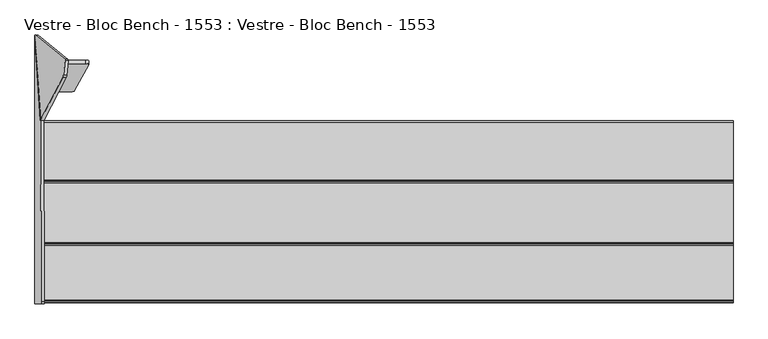
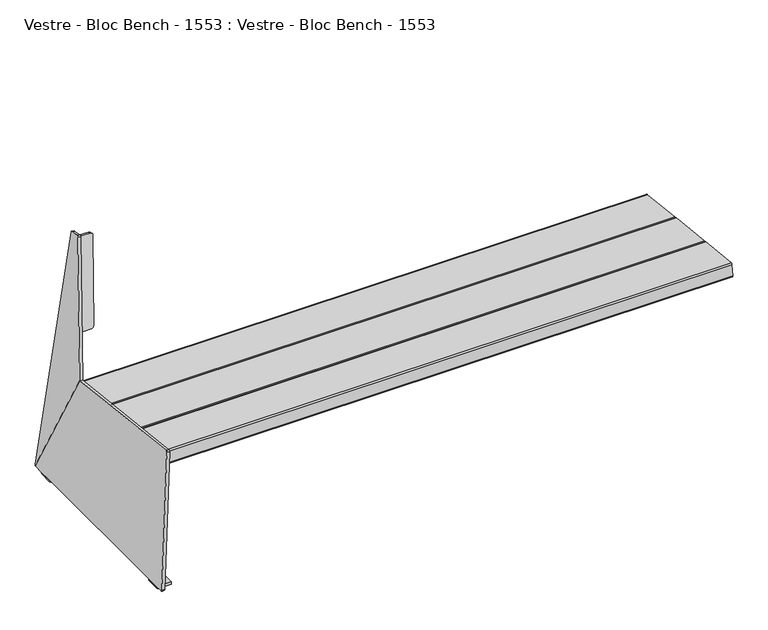
"""IFC4 building model written with IfcOpenShell, lengths in millimetres: furniture geometry, Vestre - Bloc Bench - 1553 : Vestre - Bloc Bench - 1553."""

from ifc_helpers import new_model, si_unit, point, frame, frame_2d, origin, place, context, project, spatial, polyline, circle_curve, trimmed, segment, composite_curve, outline, extrude, source, transform, mapped, element, save
from ifc_brep_helpers import plane_surface, cylinder_surface, revolved_surface, advanced_brep


def vestre_bloc_bench_1553_vestre_bloc_bench_1553_6cf4e329(model_context):
    return source(origin(), model_context, "Body", "SolidModel", [
        advanced_brep(
        [(-811.3096872, 233.1863633, 787.1699382), (-810.3276205, 238.1221055, 789.8133119), (-806.4856825, 274.3357333, 778.4787482), (-806.476674, 277.1577, 774.9426086), (-881.1339288, 337.9713039, 14.8944279), (-881.7986014, 336.1005897, 11.2206695), (-867.9108416, 124.8996282, 408.9101314), (-803.4334696, 232.080936, 786.3078325), (-860.0346239, 123.794201, 408.0480257), (-873.9223837, 334.9951625, 10.3585639), (-873.2577111, 336.8658767, 14.0323223), (-798.6004563, 276.0522727, 774.080503), (-798.6094648, 273.230306, 777.6166426), (-802.4514029, 237.0166783, 788.9512062), (-800.4996194, 275.0977695, 757.9536062), (-838.1688084, 205.1850931, 503.4518959), (-839.1302779, 196.4631475, 505.8515241), (-801.461089, 266.3758239, 760.3532344), (-755.3146024, 275.0158862, 757.8881152), (-747.4133782, 272.5788357, 749.0639533), (-783.5721679, 206.9046912, 509.9877088), (-791.5034385, 205.1005271, 503.3842593), (-791.5157714, 196.3768615, 505.7825119), (-783.5845007, 198.1810256, 512.3859614), (-747.4257111, 263.8551701, 751.4622058), (-755.3269352, 266.2922205, 760.2863677)],
        [
            (0, 1, circle_curve(frame((-810.9011589, 236.9951872, 786.0184326), z_axis=(-0.9845272064646956, 0.1381784067166262, 0.10776320173453151), x_axis=(-0.10809843818608315, 0.005098251508800459, -0.9941271224009949)), 4.0)),
            (1, 2),
            (2, 3, circle_curve(frame((-807.0592208, 273.2088149, 774.683869), z_axis=(-0.9845272064646956, 0.1381784067166262, 0.10776320173453151), x_axis=(-0.10809843818608315, 0.005098251508800459, -0.9941271224009949)), 4.0)),
            (3, 4),
            (4, 5, circle_curve(frame((-881.7160714, 334.025159, 14.6358678), z_axis=(-0.9845272064646956, 0.1381784067166262, 0.10776320173453151), x_axis=(-0.10809843818608315, 0.005098251508800459, -0.9941271224009949)), 3.9972244)),
            (5, 6),
            (6, 0),
            (7, 8),
            (8, 9),
            (9, 10, circle_curve(frame((-873.8398538, 332.9197317, 13.7737622), z_axis=(0.9845272064646956, -0.1381784067166262, -0.10776320173453151), x_axis=(-0.10809843818608315, 0.005098251508800459, -0.9941271224009949)), 3.9972244)),
            (10, 11),
            (11, 12, circle_curve(frame((-799.1830032, 272.1033877, 773.8217633), z_axis=(0.9845272064646956, -0.1381784067166262, -0.10776320173453151), x_axis=(-0.10809843818608315, 0.005098251508800459, -0.9941271224009949)), 4.0)),
            (12, 13),
            (13, 7, circle_curve(frame((-803.0249412, 235.8897599, 785.156327), z_axis=(0.9845272064646956, -0.1381784067166262, -0.10776320173453151), x_axis=(-0.10809843818608315, 0.005098251508800459, -0.9941271224009949)), 4.0)),
            (14, 15),
            (15, 16),
            (16, 17),
            (17, 14),
            (0, 7),
            (13, 1),
            (12, 2),
            (11, 3),
            (10, 4),
            (9, 5),
            (8, 6),
            (18, 19, circle_curve(frame((-755.3296256, 272.8952788, 750.1743095), z_axis=(0.0013631459484884367, 0.9642258427672697, -0.26507860338562145), x_axis=(0.14431455675225052, 0.2621142782788856, 0.9541852093968657)), 8.0)),
            (19, 20),
            (20, 21, circle_curve(frame((-791.4884153, 207.2211344, 511.098065), z_axis=(0.0013631459484884367, 0.9642258427672697, -0.26507860338562145), x_axis=(0.14431455675225052, 0.2621142782788856, 0.9541852093968657)), 8.0)),
            (21, 15),
            (14, 18),
            (22, 23, circle_curve(frame((-791.5007481, 198.4974688, 513.4963176), z_axis=(-0.0013631459484884367, -0.9642258427672697, 0.26507860338562145), x_axis=(0.14431455675225052, 0.2621142782788856, 0.9541852093968657)), 8.0)),
            (23, 24),
            (24, 25, circle_curve(frame((-755.3419585, 264.1716132, 752.572562), z_axis=(-0.0013631459484884367, -0.9642258427672697, 0.26507860338562145), x_axis=(0.14431455675225052, 0.2621142782788856, 0.9541852093968657)), 8.0)),
            (25, 17),
            (16, 22),
            (18, 25),
            (24, 19),
            (23, 20),
            (22, 21),
        ],
        [
            plane_surface(frame((-811.3335526, 237.0155802, 782.0419241), z_axis=(-0.9845272064646957, 0.13817840671662623, 0.10776320173453155), x_axis=(-0.13791630575299016, -0.9903942324896727, 0.009917502641294944))),
            plane_surface(frame((-803.457335, 235.9101529, 781.1798185), z_axis=(0.9845272064646957, -0.13817840671662623, -0.10776320173453155), x_axis=(0.13791630575299016, 0.9903942324896727, -0.009917502641294944))),
            cylinder_surface(frame((-803.0249412, 235.8897599, 785.156327), z_axis=(-0.9845272064646956, 0.1381784067166262, 0.10776320173453151), x_axis=(-0.10809843818608315, 0.005098251508800459, -0.9941271224009949)), 4.0),
            plane_surface(frame((-810.3276205, 238.1221055, 789.8133119), z_axis=(0.1433845912445866, 0.28172958840366474, 0.9487198206064447), x_axis=(0.9845272064646949, -0.13817840671662657, -0.10776320173453655))),
            cylinder_surface(frame((-799.1830032, 272.1033877, 773.8217633), z_axis=(-0.9845272064646956, 0.1381784067166262, 0.10776320173453151), x_axis=(-0.10809843818608315, 0.005098251508800459, -0.9941271224009949)), 4.0),
            plane_surface(frame((-806.476674, 277.1577, 774.9426086), z_axis=(0.14563671969423853, 0.9872212562883773, 0.06468490557386689), x_axis=(0.9845272064646949, -0.13817840671662657, -0.10776320173453655))),
            cylinder_surface(frame((-873.8398538, 332.9197317, 13.7737622), z_axis=(-0.9845272064646956, 0.1381784067166262, 0.10776320173453151), x_axis=(-0.10809843818608315, 0.005098251508800459, -0.9941271224009949)), 3.9972244),
            plane_surface(frame((-881.7986014, 336.1005897, 11.2206695), z_axis=(-0.1724989104392053, -0.8724250405319145, -0.45729495355861344), x_axis=(0.9845272064646944, -0.13817840671663073, -0.10776320173453648))),
            plane_surface(frame((-867.9108416, 124.8996282, 408.9101314), z_axis=(-0.1021320908307664, -0.9522059736125503, 0.28787639680792054), x_axis=(0.9845272064646949, -0.13817840671662657, -0.10776320173453655))),
            plane_surface(frame((-754.1751092, 274.9921931, 757.8077911), z_axis=(0.0013631459484884229, 0.9642258427672699, -0.2650786033856216), x_axis=(0.9895309245003537, -0.03955539485439853, -0.13879452509154702))),
            plane_surface(frame((-754.187442, 266.2685275, 760.2060437), z_axis=(-0.0013631459484884229, -0.9642258427672699, 0.2650786033856216), x_axis=(-0.9895309245003537, 0.03955539485439853, 0.13879452509154702))),
            cylinder_surface(frame((-755.3419585, 264.1716132, 752.572562), z_axis=(0.0013631459484884367, 0.9642258427672697, -0.26507860338562145), x_axis=(0.14431455675225052, 0.2621142782788856, 0.9541852093968657)), 8.0),
            plane_surface(frame((-747.4133782, 272.5788357, 749.0639533), z_axis=(0.9895309245003534, -0.0395553948543983, -0.13879452509154827), x_axis=(-0.001363145948487987, -0.9642258427672699, 0.2650786033856207))),
            cylinder_surface(frame((-791.5007481, 198.4974688, 513.4963176), z_axis=(0.0013631459484884367, 0.9642258427672697, -0.26507860338562145), x_axis=(0.14431455675225052, 0.2621142782788856, 0.9541852093968657)), 8.0),
            plane_surface(frame((-791.5034385, 205.1005271, 503.3842593), z_axis=(-0.0018779099002744323, -0.2650759139656631, -0.9642257169821155), x_axis=(-0.001363145948487987, -0.9642258427672699, 0.2650786033856207))),
            plane_surface(frame((-803.4248413, 275.1030705, 757.957846), z_axis=(0.0018779099002689827, 0.2650759139656631, 0.9642257169821156), x_axis=(-0.001363145948487987, -0.9642258427672699, 0.2650786033856207))),
        ],
        [
            (0, [[1, 2, 3, 4, 5, 6, 7]]),
            (1, [[8, 9, 10, 11, 12, 13, 14], [15, 16, 17, 18]]),
            (2, [[-1, 19, -14, 20]]),
            (3, [[-2, -20, -13, 21]]),
            (4, [[-3, -21, -12, 22]]),
            (5, [[-4, -22, -11, 23]]),
            (6, [[-5, -23, -10, 24]]),
            (7, [[-6, -24, -9, 25]]),
            (8, [[-7, -25, -8, -19]]),
            (9, [[26, 27, 28, 29, -15, 30]]),
            (10, [[31, 32, 33, 34, -17, 35]]),
            (11, [[-26, 36, -33, 37]]),
            (12, [[-27, -37, -32, 38]]),
            (13, [[-28, -38, -31, 39]]),
            (14, [[-39, -35, -16, -29]]),
            (15, [[-36, -30, -18, -34]]),
        ],
    ),
        advanced_brep(
        [(-867.8018633, 124.9540587, 408.8991383), (-881.6844457, 336.0793859, 11.3539925), (-881.7221912, 333.3438949, 10.2731042), (-881.7221912, 303.3438949, 10.2731042), (-881.7221912, 263.3438949, 10.2731042), (-881.7221912, -263.3438949, 10.2731042), (-881.7221912, -303.3438949, 10.2731042), (-881.7221912, -329.3438949, 10.2731042), (-881.5825932, -333.3438949, 14.2706676), (-866.2114206, -333.3438949, 454.4434578), (-866.0726472, -328.9097929, 458.4174101), (-859.8067367, 124.9540587, 408.6199423), (-858.0775206, -328.9097929, 458.1382142), (-858.216294, -333.3438949, 454.1642618), (-873.5874666, -333.3438949, 13.9914716), (-873.7270646, -329.3438949, 9.9939083), (-873.7270646, -303.3438949, 9.9939083), (-873.7592787, -303.3438949, 9.0714168), (-873.7592787, -263.3438949, 9.0714168), (-873.7270646, -263.3438949, 9.9939083), (-873.7270646, 263.3438949, 9.9939083), (-873.7592787, 263.3438949, 9.0714168), (-873.7592787, 303.3438949, 9.0714168), (-873.7270646, 303.3438949, 9.9939083), (-873.7270646, 333.3438949, 9.9939083), (-873.6893191, 336.0793859, 11.0747965), (-872.7246235, -303.3438949, 8.0), (-881.7221912, -303.3438949, 8.2703475), (-873.7845921, -303.3438949, 0.0), (-836.0809359, -303.3438949, 0.0), (-836.0809359, -303.3438949, 8.0), (-872.7246235, -263.3438949, 8.0), (-836.0809359, -263.3438949, 8.0), (-836.0809359, -263.3438949, 0.0), (-873.7845921, -263.3438949, 0.0), (-881.7221912, -263.3438949, 8.2703475), (-872.7246235, 303.3438949, 8.0), (-836.0809359, 303.3438949, 8.0), (-836.0809359, 303.3438949, 0.0), (-873.7845921, 303.3438949, 0.0), (-881.7221912, 303.3438949, 8.2703475), (-872.7246235, 263.3438949, 8.0), (-881.7221912, 263.3438949, 8.2703475), (-873.7845921, 263.3438949, 0.0), (-836.0809359, 263.3438949, 0.0), (-836.0809359, 263.3438949, 8.0)],
        [
            (0, 1),
            (1, 2, circle_curve(frame((-881.5825887, 333.3438949, 14.2707962), z_axis=(-0.9993908270190959, 0.0, 0.0348994967025008), x_axis=(-0.0348994967025008, 0.0, -0.9993908270190959)), 4.0001287)),
            (2, 3),
            (3, 4),
            (4, 5),
            (5, 6),
            (6, 7),
            (7, 8, circle_curve(frame((-881.5825932, -329.3438949, 14.2706676), z_axis=(-0.9993908270190959, 0.0, 0.0348994967025008), x_axis=(-0.0348994967025008, 0.0, -0.9993908270190959)), 4.0)),
            (8, 9),
            (9, 10, circle_curve(frame((-866.2114206, -329.3438949, 454.4434578), z_axis=(-0.9993908270190959, 0.0, 0.0348994967025008), x_axis=(-0.0348994967025008, 0.0, -0.9993908270190959)), 4.0)),
            (10, 0),
            (11, 12),
            (12, 13, circle_curve(frame((-858.216294, -329.3438949, 454.1642618), z_axis=(0.9993908270190959, 0.0, -0.0348994967025008), x_axis=(-0.0348994967025008, 0.0, -0.9993908270190959)), 4.0)),
            (13, 14),
            (14, 15, circle_curve(frame((-873.5874666, -329.3438949, 13.9914716), z_axis=(0.9993908270190959, 0.0, -0.0348994967025008), x_axis=(-0.0348994967025008, 0.0, -0.9993908270190959)), 4.0)),
            (15, 16),
            (16, 17),
            (17, 18),
            (18, 19),
            (19, 20),
            (20, 21),
            (21, 22),
            (22, 23),
            (23, 24),
            (24, 25, circle_curve(frame((-873.5874621, 333.3438949, 13.9916002), z_axis=(0.9993908270190959, 0.0, -0.0348994967025008), x_axis=(-0.0348994967025008, 0.0, -0.9993908270190959)), 4.0001287)),
            (25, 11),
            (0, 11),
            (25, 1),
            (24, 2),
            (23, 3),
            (15, 7),
            (6, 16),
            (19, 5),
            (4, 20),
            (14, 8),
            (13, 9),
            (12, 10),
            (26, 17, circle_curve(frame((-872.7246235, -303.3438949, 9.0352858), z_axis=(0.0, 1.0, 0.0), x_axis=(1.0, 0.0, 0.0)), 1.0352858)),
            (6, 27),
            (27, 28, circle_curve(frame((-873.4448692, -303.3438949, 8.2703475), z_axis=(0.0, -1.0, 0.0), x_axis=(1.0, 0.0, 0.0)), 8.277322)),
            (28, 29),
            (29, 30),
            (30, 26),
            (31, 32),
            (32, 33),
            (33, 34),
            (34, 35, circle_curve(frame((-873.4448692, -263.3438949, 8.2703475), z_axis=(0.0, 1.0, 0.0), x_axis=(1.0, 0.0, 0.0)), 8.277322)),
            (35, 5),
            (18, 31, circle_curve(frame((-872.7246235, -263.3438949, 9.0352858), z_axis=(0.0, -1.0, 0.0), x_axis=(1.0, 0.0, 0.0)), 1.0352858)),
            (26, 31),
            (28, 34),
            (33, 29),
            (32, 30),
            (35, 27),
            (36, 37),
            (37, 38),
            (38, 39),
            (39, 40, circle_curve(frame((-873.4448692, 303.3438949, 8.2703475), z_axis=(0.0, 1.0, 0.0), x_axis=(1.0, 0.0, 0.0)), 8.277322)),
            (40, 3),
            (22, 36, circle_curve(frame((-872.7246235, 303.3438949, 9.0352858), z_axis=(0.0, -1.0, 0.0), x_axis=(1.0, 0.0, 0.0)), 1.0352858)),
            (41, 21, circle_curve(frame((-872.7246235, 263.3438949, 9.0352858), z_axis=(0.0, 1.0, 0.0), x_axis=(1.0, 0.0, 0.0)), 1.0352858)),
            (4, 42),
            (42, 43, circle_curve(frame((-873.4448692, 263.3438949, 8.2703475), z_axis=(0.0, -1.0, 0.0), x_axis=(1.0, 0.0, 0.0)), 8.277322)),
            (43, 44),
            (44, 45),
            (45, 41),
            (41, 36),
            (38, 44),
            (43, 39),
            (37, 45),
            (40, 42),
        ],
        [
            plane_surface(frame((-867.7611698, 124.3351949, 410.0644476), z_axis=(-0.9993908270190959, 0.0, 0.0348994967025008), x_axis=(-0.030826689731681154, 0.46881010804538603, -0.8827608950302795))),
            plane_surface(frame((-859.7660432, 124.3351949, 409.7852516), z_axis=(0.9993908270190959, 0.0, -0.0348994967025008), x_axis=(0.030826689731681154, -0.46881010804538603, 0.8827608950302795))),
            plane_surface(frame((-867.8018633, 124.9540587, 408.8991383), z_axis=(0.01636123681982749, 0.8832989769010681, 0.4685245215943901), x_axis=(0.9993908270190959, 0.0, -0.03489949670249758))),
            cylinder_surface(frame((-873.5874621, 333.3438949, 13.9916002), z_axis=(-0.9993908270190959, 0.0, 0.0348994967025008), x_axis=(-0.0348994967025008, 0.0, -0.9993908270190959)), 4.0001287),
            plane_surface(frame((-881.7221912, 333.3438949, 10.2731042), z_axis=(-0.03489949670249758, 0.0, -0.9993908270190959), x_axis=(0.9993908270190959, 0.0, -0.03489949670249758))),
            cylinder_surface(frame((-873.5874666, -329.3438949, 13.9914716), z_axis=(-0.9993908270190959, 0.0, 0.0348994967025008), x_axis=(-0.0348994967025008, 0.0, -0.9993908270190959)), 4.0),
            plane_surface(frame((-881.5825932, -333.3438949, 14.2706676), z_axis=(0.0, -1.0, 0.0), x_axis=(0.9993908270190959, 0.0, -0.03489949670249758))),
            cylinder_surface(frame((-858.216294, -329.3438949, 454.1642618), z_axis=(-0.9993908270190959, 0.0, 0.0348994967025008), x_axis=(-0.0348994967025008, 0.0, -0.9993908270190959)), 4.0),
            plane_surface(frame((-866.0726472, -328.9097929, 458.4174101), z_axis=(0.03469336856703176, 0.1085255092275189, 0.9934880895231608), x_axis=(0.9993908270190959, 0.0, -0.03489949670249758))),
            plane_surface(frame((-871.6893377, -303.3438949, 9.0352858), z_axis=(0.0, -1.0, 0.0), x_axis=(0.0, 0.0, -1.0))),
            plane_surface(frame((-871.6893377, -263.3438949, 9.0352858), z_axis=(0.0, 1.0, 0.0), x_axis=(0.0, 0.0, 1.0))),
            revolved_surface(polyline([(-871.6893377, -263.3438949, 9.0352858), (-871.6893377, -303.3438949, 9.0352858)]), (-872.7246235, -263.3438949, 9.0352858), (0.0, 1.0, 0.0)),
            plane_surface(frame((-873.7845921, -303.3438949, 0.0), z_axis=(0.0, 0.0, -1.0), x_axis=(0.0, 1.0, 0.0))),
            plane_surface(frame((-836.0809359, -303.3438949, 0.0), z_axis=(1.0, 0.0, 0.0), x_axis=(0.0, 1.0, 0.0))),
            plane_surface(frame((-836.0809359, -303.3438949, 8.0), z_axis=(0.0, 0.0, 1.0), x_axis=(0.0, 1.0, 0.0))),
            plane_surface(frame((-881.7221912, -303.3438949, 10.2731042), z_axis=(-1.0, 0.0, 0.0), x_axis=(0.0, 1.0, 0.0))),
            cylinder_surface(frame((-873.4448692, -263.3438949, 8.2703475), z_axis=(0.0, -1.0, 0.0), x_axis=(1.0, 0.0, 0.0)), 8.277322),
            plane_surface(frame((-836.0809359, 303.3438949, 8.0), z_axis=(0.0, 1.0, 0.0), x_axis=(1.0, 0.0, 0.0))),
            plane_surface(frame((-836.0809359, 263.3438949, 8.0), z_axis=(0.0, -1.0, 0.0), x_axis=(-1.0, 0.0, 0.0))),
            revolved_surface(polyline([(-871.6893377, 263.3438949, 9.0352858), (-871.6893377, 303.3438949, 9.0352858)]), (-872.7246235, 263.3438949, 9.0352858), (0.0, -1.0, 0.0)),
            plane_surface(frame((-836.0809359, 303.3438949, 0.0), z_axis=(0.0, 0.0, -1.0), x_axis=(0.0, -1.0, 0.0))),
            plane_surface(frame((-836.0809359, 303.3438949, 8.0), z_axis=(1.0, 0.0, 0.0), x_axis=(0.0, -1.0, 0.0))),
            plane_surface(frame((-872.7246235, 303.3438949, 8.0), z_axis=(0.0, 0.0, 1.0), x_axis=(0.0, -1.0, 0.0))),
            plane_surface(frame((-881.7221912, 303.3438949, 8.2703475), z_axis=(-1.0, 0.0, 0.0), x_axis=(0.0, -1.0, 0.0))),
            cylinder_surface(frame((-873.4448692, 263.3438949, 8.2703475), z_axis=(0.0, 1.0, 0.0), x_axis=(1.0, 0.0, 0.0)), 8.277322),
        ],
        [
            (0, [[1, 2, 3, 4, 5, 6, 7, 8, 9, 10, 11]]),
            (1, [[12, 13, 14, 15, 16, 17, 18, 19, 20, 21, 22, 23, 24, 25, 26]]),
            (2, [[-1, 27, -26, 28]]),
            (3, [[-2, -28, -25, 29]]),
            (4, [[-29, -24, 30, -3]]),
            (4, [[31, -7, 32, -16]]),
            (4, [[33, -5, 34, -20]]),
            (5, [[-8, -31, -15, 35]]),
            (6, [[-9, -35, -14, 36]]),
            (7, [[-10, -36, -13, 37]]),
            (8, [[-11, -37, -12, -27]]),
            (9, [[38, -17, -32, 39, 40, 41, 42, 43]]),
            (10, [[44, 45, 46, 47, 48, -33, -19, 49]]),
            (11, [[-38, 50, -49, -18]]),
            (12, [[-41, 51, -46, 52]]),
            (13, [[-42, -52, -45, 53]]),
            (14, [[-43, -53, -44, -50]]),
            (15, [[-39, -6, -48, 54]]),
            (16, [[-40, -54, -47, -51]]),
            (17, [[55, 56, 57, 58, 59, -30, -23, 60]]),
            (18, [[61, -21, -34, 62, 63, 64, 65, 66]]),
            (19, [[-60, -22, -61, 67]]),
            (20, [[-57, 68, -64, 69]]),
            (21, [[-56, 70, -65, -68]]),
            (22, [[-55, -67, -66, -70]]),
            (23, [[-59, 71, -62, -4]]),
            (24, [[-58, -69, -63, -71]]),
        ],
    ),
        extrude(outline(composite_curve([segment(polyline([(123.8192494, 402.3213691), (120.1847471, 369.0041334)]), True, "CONTINUOUS"), segment(trimmed(circle_curve(frame_2d((116.2083371, 369.4379111)), 4.0), [point((120.1847471, 369.0041334))], [point((115.7745594, 365.461501))], False, "CARTESIAN"), True, "CONTINUOUS"), segment(polyline([(115.7745594, 365.461501), (-28.0458586, 381.1505467)]), True, "CONTINUOUS"), segment(trimmed(circle_curve(frame_2d((-27.612081, 385.1269568)), 4.0), [point((-28.0458586, 381.1505467))], [point((-31.5884911, 385.5607344))], False, "CARTESIAN"), True, "CONTINUOUS"), segment(polyline([(-31.5884911, 385.5607344), (-27.9537399, 418.8802516)]), True, "CONTINUOUS"), segment(trimmed(circle_curve(frame_2d((-23.9773298, 418.446474)), 4.0), [point((-27.9537399, 418.8802516))], [point((-23.5434891, 422.4228772))], False, "CARTESIAN"), True, "CONTINUOUS"), segment(polyline([(-23.5434891, 422.4228772), (120.27668, 406.7315499)]), True, "CONTINUOUS"), segment(trimmed(circle_curve(frame_2d((119.8428393, 402.7551467)), 4.0), [point((120.27668, 406.7315499))], [point((123.8192494, 402.3213691))], False, "CARTESIAN"), True, "CONTINUOUS")], self_intersect=False)), frame((-862.6102966, 0.0, 0.0), z_axis=(1.0, 0.0, 0.0), x_axis=(0.0, 1.0, 0.0)), (0.0, 0.0, 1.0), 1724.9737711),
        extrude(outline(composite_curve([segment(polyline([(-27.9537261, 418.8803778), (-31.5884836, 385.5608023)]), True, "CONTINUOUS"), segment(trimmed(circle_curve(frame_2d((-35.5648937, 385.9945799)), 4.0), [point((-31.5884836, 385.5608023))], [point((-35.9986713, 382.0181698))], False, "CARTESIAN"), True, "CONTINUOUS"), segment(polyline([(-35.9986713, 382.0181698), (-184.008414, 398.1642196)]), True, "CONTINUOUS"), segment(trimmed(circle_curve(frame_2d((-183.5746364, 402.1406296)), 4.0), [point((-184.008414, 398.1642196))], [point((-187.5510464, 402.5744072))], False, "CARTESIAN"), True, "CONTINUOUS"), segment(polyline([(-187.5510464, 402.5744072), (-183.9160328, 435.8963307)]), True, "CONTINUOUS"), segment(trimmed(circle_curve(frame_2d((-179.9396227, 435.4625531)), 4.0), [point((-183.9160328, 435.8963307))], [point((-179.505782, 439.4389563))], False, "CARTESIAN"), True, "CONTINUOUS"), segment(polyline([(-179.505782, 439.4389563), (-31.4962955, 423.2905586)]), True, "CONTINUOUS"), segment(trimmed(circle_curve(frame_2d((-31.9301362, 419.3141554)), 4.0), [point((-31.4962955, 423.2905586))], [point((-27.9537261, 418.8803778))], False, "CARTESIAN"), True, "CONTINUOUS")], self_intersect=False)), frame((-862.6102966, 0.0, 0.0), z_axis=(1.0, 0.0, 0.0), x_axis=(0.0, 1.0, 0.0)), (0.0, 0.0, 1.0), 1724.9737711),
        extrude(outline(composite_curve([segment(polyline([(-183.916019, 435.8964569), (-187.551035, 402.5745123)]), True, "CONTINUOUS"), segment(trimmed(circle_curve(frame_2d((-191.527445, 403.0082899)), 4.0), [point((-187.551035, 402.5745123))], [point((-191.9612227, 399.0318798))], False, "CARTESIAN"), True, "CONTINUOUS"), segment(polyline([(-191.9612227, 399.0318798), (-327.6055099, 413.8290098)]), True, "CONTINUOUS"), segment(trimmed(circle_curve(frame_2d((-327.1717323, 417.8054199)), 4.0), [point((-327.6055099, 413.8290098))], [point((-331.1481424, 418.2391975))], False, "CARTESIAN"), True, "CONTINUOUS"), segment(polyline([(-331.1481424, 418.2391975), (-327.5128917, 451.563294)]), True, "CONTINUOUS"), segment(trimmed(circle_curve(frame_2d((-323.5364816, 451.1295164)), 4.0), [point((-327.5128917, 451.563294))], [point((-323.1026409, 455.1059196))], False, "CARTESIAN"), True, "CONTINUOUS"), segment(polyline([(-323.1026409, 455.1059196), (-187.4585884, 440.3066377)]), True, "CONTINUOUS"), segment(trimmed(circle_curve(frame_2d((-187.8924291, 436.3302345)), 4.0), [point((-187.4585884, 440.3066377))], [point((-183.916019, 435.8964569))], False, "CARTESIAN"), True, "CONTINUOUS")], self_intersect=False)), frame((-862.6102966, 0.0, 0.0), z_axis=(1.0, 0.0, 0.0), x_axis=(0.0, 1.0, 0.0)), (0.0, 0.0, 1.0), 1724.9737711),
    ])


if __name__ == "__main__":
    model = new_model("IFC4")
    model_context = context("Model", 3, world=origin())
    ifc_project = project(units=[si_unit("LENGTHUNIT", "METRE", prefix="MILLI")], contexts=[model_context])
    site = spatial("IfcSite", under=ifc_project)
    building = spatial("IfcBuilding", under=site)
    placement = place(None, origin())
    vestre_bloc_bench_1553_vestre_bloc_bench_1553_shape = vestre_bloc_bench_1553_vestre_bloc_bench_1553_6cf4e329(model_context)
    element("IfcFurniture", 1, ObjectType="Vestre - Bloc Bench - 1553 : Vestre - Bloc Bench - 1553", at=placement, inside=building, context=model_context, shape_type="MappedRepresentation", body=[
        mapped(vestre_bloc_bench_1553_vestre_bloc_bench_1553_shape, transform((0.0, 0.0, 0.0), x_axis=(1.0, 0.0, 0.0), y_axis=(0.0, 1.0, 0.0), z_axis=(0.0, 0.0, 1.0))),
    ])
    save(model, "model.ifc")
